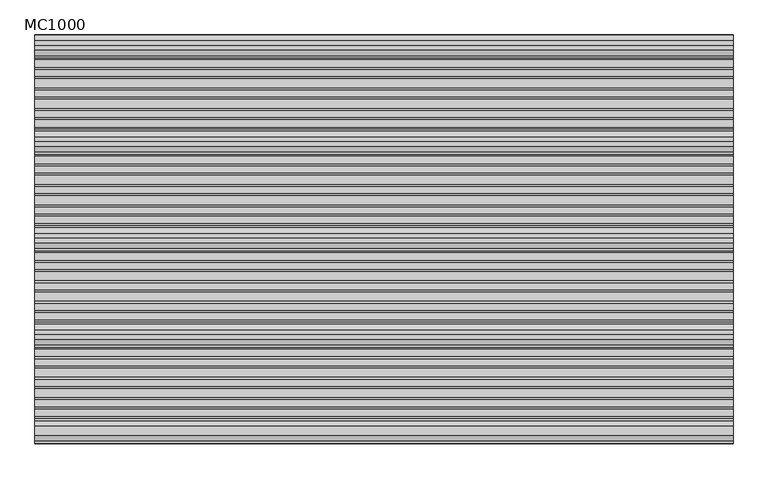
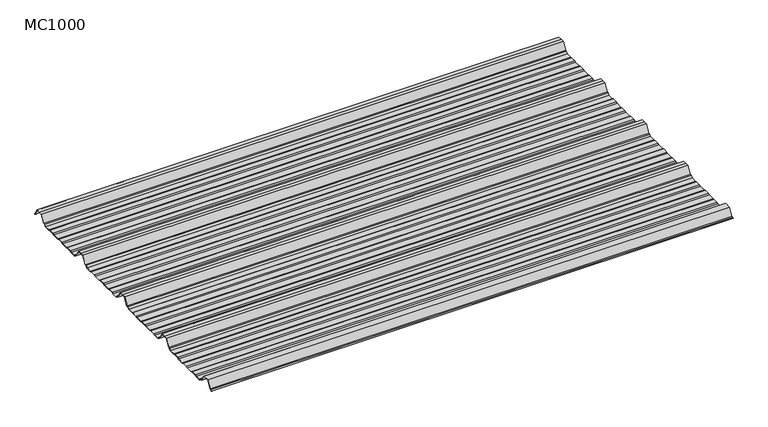
"""IFC4 building model written with IfcOpenShell, lengths in millimetres: beam geometry, MC1000."""

from ifc_helpers import new_model, si_unit, point, frame, frame_2d, origin, place, context, project, spatial, polyline, circle_curve, trimmed, segment, composite_curve, outline, extrude, source, transform, mapped, element, save


def mc1000_6af95107(model_context):
    return source(origin(), model_context, "Body", "SweptSolid", [
        extrude(outline(composite_curve([segment(polyline([(187.0338322, -23.7896472), (169.0848913, -23.7896472), (163.6187233, -25.7896475), (139.4406384, -25.7896475), (133.97447, -23.7896472), (116.0255296, -23.7896472), (110.5593616, -25.7896475), (86.3812767, -25.7896475), (80.9151087, -23.7896476), (62.9661678, -23.7896476), (57.5, -25.7896478), (36.5, -25.7896478), (32.3789749, -19.1370213), (24.6726825, -19.1370213), (10.8294152, 3.2103522), (-10.8294152, 3.2103522), (-25.9115993, -21.1370213), (-31.2652517, -21.1370213), (-33.0266381, -23.9804511)]), True, "CONTINUOUS"), segment(trimmed(circle_curve(frame_2d((-33.4516925, -23.7171476)), 0.5), [point((-33.0266381, -23.9804511))], [point((-33.8767469, -23.4538441))], False, "CARTESIAN"), True, "CONTINUOUS"), segment(polyline([(-33.8767469, -23.4538441), (-31.8221133, -20.1370213), (-26.4684609, -20.1370213), (-11.3862768, 4.2103522), (11.3862768, 4.2103522), (25.2295442, -18.1370213), (32.9358365, -18.1370213), (37.0568616, -24.7896478), (57.3228008, -24.7896478), (62.7889686, -22.7896476), (81.0923074, -22.7896476), (86.5584758, -24.7896475), (110.3821624, -24.7896475), (115.8483309, -22.7896474), (134.1516696, -22.7896474), (139.6178376, -24.7896475), (163.4415242, -24.7896475), (168.9076926, -22.7896472), (187.2110314, -22.7896472), (192.6771992, -24.7896478), (212.9431384, -24.7896478), (217.0641635, -18.1370213), (222.4178159, -18.1370213), (237.5, 6.2103522), (250.0, 6.2103522), (262.5, 6.2103522), (277.5821841, -18.1370213), (282.9358365, -18.1370213), (287.0568616, -24.7896478), (307.3228008, -24.7896478), (312.7889686, -22.7896476), (331.0923074, -22.7896476), (336.5584758, -24.7896478), (360.3821624, -24.7896478), (365.8483309, -22.7896478), (384.1516696, -22.7896478), (389.6178376, -24.7896478), (413.4415242, -24.7896478), (418.9076926, -22.7896476), (437.2110314, -22.7896476), (442.6771992, -24.7896478), (462.9431384, -24.7896478), (467.0641635, -18.1370213), (472.4178159, -18.1370213), (487.5, 6.2103522), (500.0, 6.2103522), (512.5, 6.2103522), (527.5821841, -18.1370213), (532.9358365, -18.1370213), (537.0568616, -24.7896478), (557.3228008, -24.7896478), (562.7889686, -22.789648), (581.0923074, -22.789648), (586.5584758, -24.7896482), (610.3821624, -24.7896482), (615.8483309, -22.7896478), (634.1516696, -22.7896478), (639.6178376, -24.7896478), (663.4415242, -24.7896478), (668.9076926, -22.7896476), (687.2110314, -22.7896476), (692.6771992, -24.7896478), (712.9431384, -24.7896478), (717.0641635, -18.1370213), (722.4178159, -18.1370213), (737.5, 6.2103522), (750.0, 6.2103522), (762.5, 6.2103522), (777.5821841, -18.1370213), (782.9358365, -18.1370213), (787.0568616, -24.7896478), (807.3228008, -24.7896478), (812.7889686, -22.7896476), (831.0923074, -22.7896476), (836.5584758, -24.7896478), (860.3821624, -24.7896478), (865.8483309, -22.7896478), (884.1516696, -22.7896478), (889.6178376, -24.7896478), (913.4415242, -24.7896478), (918.9076926, -22.7896476), (937.2110314, -22.7896476), (942.6771992, -24.7896478), (962.9431384, -24.7896478), (967.0641635, -18.1370213), (972.4178159, -18.1370213), (987.5, 6.2103522), (1000.0, 6.2103522), (1012.5, 6.2103522), (1026.1931754, -15.8947259)]), True, "CONTINUOUS"), segment(trimmed(circle_curve(frame_2d((1025.768121, -16.1580294)), 0.5), [point((1026.1931754, -15.8947259))], [point((1025.3430666, -16.4213329))], False, "CARTESIAN"), True, "CONTINUOUS"), segment(polyline([(1025.3430666, -16.4213329), (1011.9431384, 5.2103522), (1000.0, 5.2103522), (988.0568616, 5.2103522), (972.9746775, -19.1370213), (967.6210251, -19.1370213), (963.5, -25.7896478), (942.5, -25.7896478), (937.0338322, -23.7896476), (919.0848913, -23.7896476), (913.6187233, -25.7896478), (889.4406384, -25.7896478), (883.97447, -23.7896476), (866.0255296, -23.7896476), (860.5593616, -25.7896478), (836.3812767, -25.7896478), (830.9151087, -23.7896476), (812.9661678, -23.7896476), (807.5, -25.7896478), (786.5, -25.7896478), (782.3789749, -19.1370213), (777.0253225, -19.1370213), (761.9431384, 5.2103522), (750.0, 5.2103522), (738.0568616, 5.2103522), (722.9746775, -19.1370213), (717.6210251, -19.1370213), (713.5, -25.7896478), (692.5, -25.7896478), (687.0338322, -23.7896476), (669.0848913, -23.7896476), (663.6187233, -25.7896478), (639.4406384, -25.7896478), (633.97447, -23.7896476), (616.0255296, -23.7896476), (610.5593616, -25.7896482), (586.3812767, -25.7896482), (580.9151087, -23.789648), (562.9661678, -23.789648), (557.5, -25.7896478), (536.5, -25.7896478), (532.3789749, -19.1370213), (527.0253225, -19.1370213), (511.9431384, 5.2103522), (500.0, 5.2103522), (488.0568616, 5.2103522), (472.9746775, -19.1370213), (467.6210251, -19.1370213), (463.5, -25.7896478), (442.5, -25.7896478), (437.0338322, -23.7896476), (419.0848913, -23.7896476), (413.6187233, -25.7896478), (389.4406384, -25.7896478), (383.97447, -23.7896476), (366.0255296, -23.7896476), (360.5593616, -25.7896478), (336.3812767, -25.7896478), (330.9151087, -23.7896476), (312.9661678, -23.7896476), (307.5, -25.7896478), (286.5, -25.7896478), (282.3789749, -19.1370213), (277.0253225, -19.1370213), (261.9431384, 5.2103522), (250.0, 5.2103522), (238.0568616, 5.2103522), (222.9746775, -19.1370213), (217.6210251, -19.1370213), (213.5, -25.7896478), (192.5, -25.7896478), (187.0338322, -23.7896472)]), True, "CONTINUOUS")], self_intersect=False)), frame((-905.0, 0.0, 0.0), z_axis=(1.0, 0.0, 0.0), x_axis=(0.0, 1.0, 0.0)), (0.0, 0.0, 1.0), 1810.0),
    ])


if __name__ == "__main__":
    model = new_model("IFC4")
    model_context = context("Model", 3, world=origin())
    ifc_project = project(units=[si_unit("LENGTHUNIT", "METRE", prefix="MILLI")], contexts=[model_context])
    site = spatial("IfcSite", under=ifc_project)
    building = spatial("IfcBuilding", under=site)
    placement = place(None, origin())
    mc1000_shape = mc1000_6af95107(model_context)
    element("IfcBeam", 1, ObjectType="MC1000", at=placement, inside=building, context=model_context, shape_type="MappedRepresentation", body=[
        mapped(mc1000_shape, transform((0.0, 0.0, 0.0), x_axis=(1.0, 0.0, 0.0), y_axis=(0.0, 1.0, 0.0), z_axis=(0.0, 0.0, 1.0))),
    ])
    save(model, "model.ifc")
